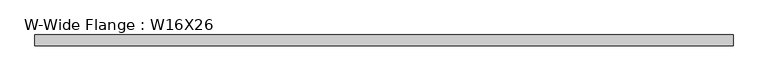
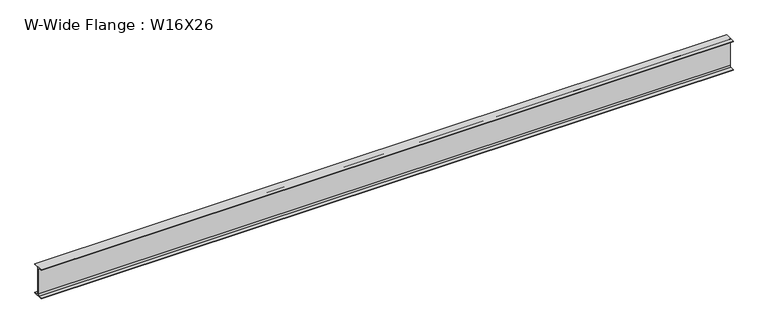
"""IFC4 building model written with IfcOpenShell, lengths in millimetres: beam geometry, W-Wide Flange : W16X26."""

from ifc_helpers import new_model, si_unit, point, frame, frame_2d, origin, place, context, project, spatial, polyline, circle_curve, trimmed, segment, composite_curve, outline, extrude, source, transform, mapped, element, save


def w_wide_flange_w16x26_faafd5be(model_context):
    return source(origin(), model_context, "Body", "SweptSolid", [
        extrude(outline(composite_curve([segment(polyline([(69.85, -190.5496094), (69.85, -199.2808594), (-69.85, -199.2808594), (-69.85, -190.5496094), (-21.43125, -190.5496094)]), True, "CONTINUOUS"), segment(trimmed(circle_curve(frame_2d((-21.43125, -172.2933594)), 18.25625), [point((-21.43125, -190.5496094))], [point((-3.175, -172.2933594))], True, "CARTESIAN"), True, "CONTINUOUS"), segment(polyline([(-3.175, -172.2933594), (-3.175, 172.2933594)]), True, "CONTINUOUS"), segment(trimmed(circle_curve(frame_2d((-21.43125, 172.2933594)), 18.25625), [point((-3.175, 172.2933594))], [point((-21.43125, 190.5496094))], True, "CARTESIAN"), True, "CONTINUOUS"), segment(polyline([(-21.43125, 190.5496094), (-69.85, 190.5496094), (-69.85, 199.2808594), (69.85, 199.2808594), (69.85, 190.5496094), (21.43125, 190.5496094)]), True, "CONTINUOUS"), segment(trimmed(circle_curve(frame_2d((21.43125, 172.2933594)), 18.25625), [point((21.43125, 190.5496094))], [point((3.175, 172.2933594))], True, "CARTESIAN"), True, "CONTINUOUS"), segment(polyline([(3.175, 172.2933594), (3.175, -172.2933594)]), True, "CONTINUOUS"), segment(trimmed(circle_curve(frame_2d((21.43125, -172.2933594)), 18.25625), [point((3.175, -172.2933594))], [point((21.43125, -190.5496094))], True, "CARTESIAN"), True, "CONTINUOUS"), segment(polyline([(21.43125, -190.5496094), (69.85, -190.5496094)]), True, "CONTINUOUS")], self_intersect=False)), frame((-4508.4503906, 0.0, 0.0), z_axis=(1.0, 0.0, 0.0), x_axis=(0.0, 1.0, 0.0)), (0.0, 0.0, 1.0), 8963.6203125),
    ])


if __name__ == "__main__":
    model = new_model("IFC4")
    model_context = context("Model", 3, world=origin())
    ifc_project = project(units=[si_unit("LENGTHUNIT", "METRE", prefix="MILLI")], contexts=[model_context])
    site = spatial("IfcSite", under=ifc_project)
    building = spatial("IfcBuilding", under=site)
    placement = place(None, origin())
    w_wide_flange_w16x26_shape = w_wide_flange_w16x26_faafd5be(model_context)
    element("IfcBeam", 1, ObjectType="W-Wide Flange : W16X26", at=placement, inside=building, context=model_context, shape_type="MappedRepresentation", body=[
        mapped(w_wide_flange_w16x26_shape, transform((0.0, 0.0, 0.0), x_axis=(1.0, 0.0, 0.0), y_axis=(0.0, 1.0, 0.0), z_axis=(0.0, 0.0, 1.0))),
    ])
    save(model, "model.ifc")
